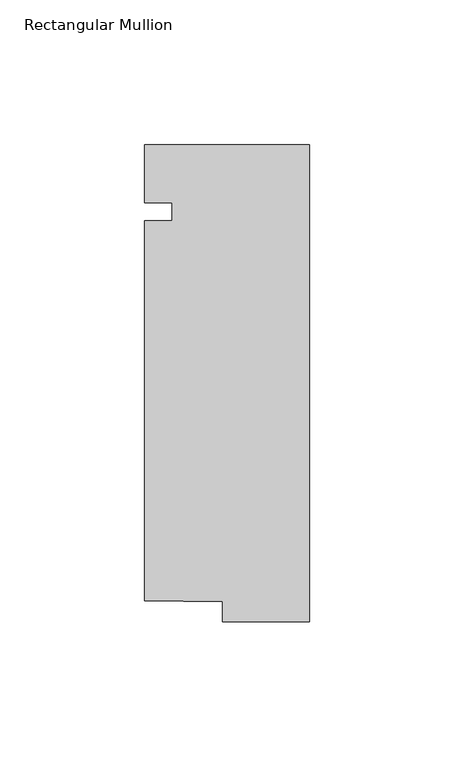
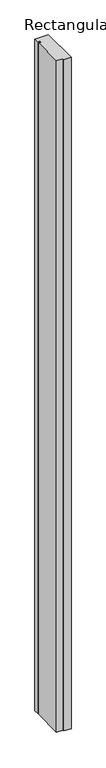
"""IFC4 building model written with IfcOpenShell, lengths in millimetres: member geometry, Rectangular Mullion."""

from ifc_helpers import new_model, si_unit, frame, origin, place, context, project, spatial, polyline, outline, extrude, source, transform, mapped, element, save


def rectangular_mullion_4e6f9fc3(model_context):
    return source(origin(), model_context, "Body", "SweptSolid", [
        extrude(outline(polyline([(-57.15, 20.0421875), (0.0, 20.0421875), (0.0, -145.0578125), (-30.0959106, -145.0578125), (-30.0959106, -138.1373866), (-57.15, -137.7430215), (-57.15, -6.35), (-47.625, -6.35), (-47.625, 0.0), (-57.15, 0.0), (-57.15, 20.0421875)])), frame((0.0, 0.0, -2997.2), z_axis=(0.0, 0.0, 1.0), x_axis=(1.0, 0.0, 0.0)), (0.0, 0.0, 1.0), 2997.2),
    ])


if __name__ == "__main__":
    model = new_model("IFC4")
    model_context = context("Model", 3, world=origin())
    ifc_project = project(units=[si_unit("LENGTHUNIT", "METRE", prefix="MILLI")], contexts=[model_context])
    site = spatial("IfcSite", under=ifc_project)
    building = spatial("IfcBuilding", under=site)
    placement = place(None, origin())
    rectangular_mullion_shape = rectangular_mullion_4e6f9fc3(model_context)
    element("IfcMember", 1, ObjectType="Rectangular Mullion", at=placement, inside=building, context=model_context, shape_type="MappedRepresentation", body=[
        mapped(rectangular_mullion_shape, transform((0.0, 0.0, 0.0), x_axis=(1.0, 0.0, 0.0), y_axis=(0.0, 1.0, 0.0), z_axis=(0.0, 0.0, 1.0))),
    ])
    save(model, "model.ifc")
